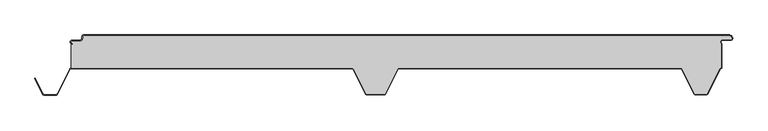
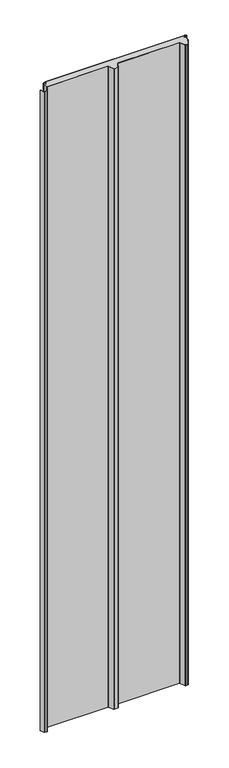
"""IFC4 building model written with IfcOpenShell, lengths in millimetres: proxy geometry."""

from ifc_helpers import new_model, si_unit, point, frame_2d, origin, origin_with_axes, place, context, project, spatial, polyline, circle_curve, trimmed, segment, composite_curve, outline, extrude, source, transform, mapped, element, save


def generic_models_8af0fbd3(model_context):
    return source(origin(), model_context, "Body", "SweptSolid", [
        extrude(outline(composite_curve([segment(polyline([(548.7649646, -5.5), (547.9649646, -5.5)]), True, "CONTINUOUS"), segment(trimmed(circle_curve(frame_2d((543.2649646, -5.5)), 4.7), [point((547.9649646, -5.5))], [point((543.2649646, -0.8))], True, "CARTESIAN"), True, "CONTINUOUS"), segment(polyline([(543.2649646, -0.8), (-448.7436881, -0.8)]), True, "CONTINUOUS"), segment(trimmed(circle_curve(frame_2d((-448.7436881, -2.5)), 1.7), [point((-448.7436881, -0.8))], [point((-450.4436881, -2.5))], True, "CARTESIAN"), True, "CONTINUOUS"), segment(polyline([(-450.4436881, -2.5), (-450.4436881, -5.5)]), True, "CONTINUOUS"), segment(trimmed(circle_curve(frame_2d((-453.7436881, -5.5)), 3.3), [point((-450.4436881, -5.5))], [point((-453.7436881, -8.8))], False, "CARTESIAN"), True, "CONTINUOUS"), segment(polyline([(-453.7436881, -8.8), (-466.2436881, -8.8)]), True, "CONTINUOUS"), segment(trimmed(circle_curve(frame_2d((-466.2436881, -11.0)), 2.2), [point((-466.2436881, -8.8))], [point((-466.2436881, -13.2))], True, "CARTESIAN"), True, "CONTINUOUS"), segment(polyline([(-466.2436881, -13.2), (-466.2436881, -14.0)]), True, "CONTINUOUS"), segment(trimmed(circle_curve(frame_2d((-466.2436881, -11.0)), 3.0), [point((-466.2436881, -14.0))], [point((-466.2436881, -8.0))], False, "CARTESIAN"), True, "CONTINUOUS"), segment(polyline([(-466.2436881, -8.0), (-453.7436881, -8.0)]), True, "CONTINUOUS"), segment(trimmed(circle_curve(frame_2d((-453.7436881, -5.5)), 2.5), [point((-453.7436881, -8.0))], [point((-451.2436881, -5.5))], True, "CARTESIAN"), True, "CONTINUOUS"), segment(polyline([(-451.2436881, -5.5), (-451.2436881, -2.5)]), True, "CONTINUOUS"), segment(trimmed(circle_curve(frame_2d((-448.7436881, -2.5)), 2.5), [point((-451.2436881, -2.5))], [point((-448.7436881, 0.0))], False, "CARTESIAN"), True, "CONTINUOUS"), segment(polyline([(-448.7436881, 0.0), (543.2649646, 0.0)]), True, "CONTINUOUS"), segment(trimmed(circle_curve(frame_2d((543.2649646, -5.5)), 5.5), [point((543.2649646, 0.0))], [point((548.7649646, -5.5))], False, "CARTESIAN"), True, "CONTINUOUS")], self_intersect=False)), origin_with_axes(), (0.0, 0.0, 1.0), 4800.0),
        extrude(outline(composite_curve([segment(trimmed(circle_curve(frame_2d((-466.2436881, -11.0)), 2.2), [point((-466.2436881, -13.2))], [point((-466.2436881, -8.8))], False, "CARTESIAN"), True, "CONTINUOUS"), segment(polyline([(-466.2436881, -8.8), (-453.7436881, -8.8)]), True, "CONTINUOUS"), segment(trimmed(circle_curve(frame_2d((-453.7436881, -5.5)), 3.3), [point((-453.7436881, -8.8))], [point((-450.4436881, -5.5))], True, "CARTESIAN"), True, "CONTINUOUS"), segment(polyline([(-450.4436881, -5.5), (-450.4436881, -2.5)]), True, "CONTINUOUS"), segment(trimmed(circle_curve(frame_2d((-448.7436881, -2.5)), 1.7), [point((-450.4436881, -2.5))], [point((-448.7436881, -0.8))], False, "CARTESIAN"), True, "CONTINUOUS"), segment(polyline([(-448.7436881, -0.8), (543.2649646, -0.8)]), True, "CONTINUOUS"), segment(trimmed(circle_curve(frame_2d((543.2649646, -5.5)), 4.7), [point((543.2649646, -0.8))], [point((547.9649646, -5.5))], False, "CARTESIAN"), True, "CONTINUOUS"), segment(trimmed(circle_curve(frame_2d((546.2649646, -5.5)), 1.7), [point((547.9649646, -5.5))], [point((546.2649646, -7.2))], False, "CARTESIAN"), True, "CONTINUOUS"), segment(polyline([(546.2649646, -7.2), (533.7563119, -7.2)]), True, "CONTINUOUS"), segment(trimmed(circle_curve(frame_2d((533.7563119, -11.0)), 3.8), [point((533.7563119, -7.2))], [point((531.587308, -14.1201638))], True, "CARTESIAN"), True, "CONTINUOUS"), segment(polyline([(531.587308, -14.1201638), (531.587308, -50.2829331)]), True, "CONTINUOUS"), segment(trimmed(circle_curve(frame_2d((532.387308, -54.1)), 3.9), [point((531.587308, -50.2829331))], [point((528.8995986, -52.3547542))], True, "CARTESIAN"), True, "CONTINUOUS"), segment(polyline([(528.8995986, -52.3547542), (509.9186975, -90.2221572)]), True, "CONTINUOUS"), segment(trimmed(circle_curve(frame_2d((508.577726, -89.55)), 1.5), [point((509.9186975, -90.2221572))], [point((508.577726, -91.05))], False, "CARTESIAN"), True, "CONTINUOUS"), segment(polyline([(508.577726, -91.05), (491.4395777, -91.05)]), True, "CONTINUOUS"), segment(trimmed(circle_curve(frame_2d((491.4395777, -89.55)), 1.5), [point((491.4395777, -91.05))], [point((490.097602, -90.2201502))], False, "CARTESIAN"), True, "CONTINUOUS"), segment(polyline([(490.097602, -90.2201502), (471.3684498, -52.715023)]), True, "CONTINUOUS"), segment(trimmed(circle_curve(frame_2d((468.5950334, -54.1)), 3.1), [point((471.3684498, -52.715023))], [point((468.5950334, -51.0))], True, "CARTESIAN"), True, "CONTINUOUS"), segment(polyline([(468.5950334, -51.0), (36.4222721, -51.0)]), True, "CONTINUOUS"), segment(trimmed(circle_curve(frame_2d((36.4222721, -54.1)), 3.1), [point((36.4222721, -51.0))], [point((33.6488557, -52.715023))], True, "CARTESIAN"), True, "CONTINUOUS"), segment(polyline([(33.6488557, -52.715023), (14.9197036, -90.2201502)]), True, "CONTINUOUS"), segment(trimmed(circle_curve(frame_2d((13.5777279, -89.55)), 1.5), [point((14.9197036, -90.2201502))], [point((13.5777279, -91.05))], False, "CARTESIAN"), True, "CONTINUOUS"), segment(polyline([(13.5777279, -91.05), (-13.5777279, -91.05)]), True, "CONTINUOUS"), segment(trimmed(circle_curve(frame_2d((-13.5777279, -89.55)), 1.5), [point((-13.5777279, -91.05))], [point((-14.9197036, -90.2201502))], False, "CARTESIAN"), True, "CONTINUOUS"), segment(polyline([(-14.9197036, -90.2201502), (-33.6488557, -52.715023)]), True, "CONTINUOUS"), segment(trimmed(circle_curve(frame_2d((-36.4222721, -54.1)), 3.1), [point((-33.6488557, -52.715023))], [point((-36.4222721, -51.0))], True, "CARTESIAN"), True, "CONTINUOUS"), segment(polyline([(-36.4222721, -51.0), (-467.612692, -51.0), (-467.612692, -13.6694247)]), True, "CONTINUOUS"), segment(trimmed(circle_curve(frame_2d((-466.2436881, -11.0)), 3.0), [point((-467.612692, -13.6694247))], [point((-466.2436881, -14.0))], True, "CARTESIAN"), True, "CONTINUOUS"), segment(polyline([(-466.2436881, -14.0), (-466.2436881, -13.2)]), True, "CONTINUOUS")], self_intersect=False)), origin_with_axes(), (0.0, 0.0, 1.0), 4800.0),
        extrude(outline(composite_curve([segment(polyline([(-523.5365904, -66.7174495), (-522.82087, -66.3600361), (-510.4107041, -91.2113932)]), True, "CONTINUOUS"), segment(trimmed(circle_curve(frame_2d((-509.0687284, -90.541243)), 1.5), [point((-510.4107041, -91.2113932))], [point((-509.0687284, -92.041243))], True, "CARTESIAN"), True, "CONTINUOUS"), segment(polyline([(-509.0687284, -92.041243), (-490.9312716, -92.041243)]), True, "CONTINUOUS"), segment(trimmed(circle_curve(frame_2d((-490.9312716, -90.541243)), 1.5), [point((-490.9312716, -92.041243))], [point((-489.5890038, -91.210808))], True, "CARTESIAN"), True, "CONTINUOUS"), segment(polyline([(-489.5890038, -91.210808), (-470.3867121, -52.7162325)]), True, "CONTINUOUS"), segment(trimmed(circle_curve(frame_2d((-467.612692, -54.1)), 3.1), [point((-470.3867121, -52.7162325))], [point((-467.612692, -51.0))], False, "CARTESIAN"), True, "CONTINUOUS"), segment(polyline([(-467.612692, -51.0), (-36.4222721, -51.0)]), True, "CONTINUOUS"), segment(trimmed(circle_curve(frame_2d((-36.4222721, -54.1)), 3.1), [point((-36.4222721, -51.0))], [point((-33.6488557, -52.715023))], False, "CARTESIAN"), True, "CONTINUOUS"), segment(polyline([(-33.6488557, -52.715023), (-14.9197036, -90.2201502)]), True, "CONTINUOUS"), segment(trimmed(circle_curve(frame_2d((-13.5777279, -89.55)), 1.5), [point((-14.9197036, -90.2201502))], [point((-13.5777279, -91.05))], True, "CARTESIAN"), True, "CONTINUOUS"), segment(polyline([(-13.5777279, -91.05), (13.5777279, -91.05)]), True, "CONTINUOUS"), segment(trimmed(circle_curve(frame_2d((13.5777279, -89.55)), 1.5), [point((13.5777279, -91.05))], [point((14.9197036, -90.2201502))], True, "CARTESIAN"), True, "CONTINUOUS"), segment(polyline([(14.9197036, -90.2201502), (33.6488557, -52.715023)]), True, "CONTINUOUS"), segment(trimmed(circle_curve(frame_2d((36.4222721, -54.1)), 3.1), [point((33.6488557, -52.715023))], [point((36.4222721, -51.0))], False, "CARTESIAN"), True, "CONTINUOUS"), segment(polyline([(36.4222721, -51.0), (468.5950334, -51.0)]), True, "CONTINUOUS"), segment(trimmed(circle_curve(frame_2d((468.5950334, -54.1)), 3.1), [point((468.5950334, -51.0))], [point((471.3684498, -52.715023))], False, "CARTESIAN"), True, "CONTINUOUS"), segment(polyline([(471.3684498, -52.715023), (490.097602, -90.2201502)]), True, "CONTINUOUS"), segment(trimmed(circle_curve(frame_2d((491.4395777, -89.55)), 1.5), [point((490.097602, -90.2201502))], [point((491.4395777, -91.05))], True, "CARTESIAN"), True, "CONTINUOUS"), segment(polyline([(491.4395777, -91.05), (508.577725, -91.05)]), True, "CONTINUOUS"), segment(trimmed(circle_curve(frame_2d((508.577725, -89.55)), 1.5), [point((508.577725, -91.05))], [point((509.9186965, -90.2221572))], True, "CARTESIAN"), True, "CONTINUOUS"), segment(polyline([(509.9186965, -90.2221572), (528.900782, -52.3523912)]), True, "CONTINUOUS"), segment(trimmed(circle_curve(frame_2d((532.387308, -54.1)), 3.9), [point((528.900782, -52.3523912))], [point((531.587308, -50.2829331))], False, "CARTESIAN"), True, "CONTINUOUS"), segment(polyline([(531.587308, -50.2829331), (531.587308, -14.1201638)]), True, "CONTINUOUS"), segment(trimmed(circle_curve(frame_2d((533.7563119, -11.0)), 3.8), [point((531.587308, -14.1201638))], [point((533.7563119, -7.2))], False, "CARTESIAN"), True, "CONTINUOUS"), segment(polyline([(533.7563119, -7.2), (546.2649646, -7.2)]), True, "CONTINUOUS"), segment(trimmed(circle_curve(frame_2d((546.2649646, -5.5)), 1.7), [point((546.2649646, -7.2))], [point((547.9649646, -5.5))], True, "CARTESIAN"), True, "CONTINUOUS"), segment(polyline([(547.9649646, -5.5), (548.7649646, -5.5)]), True, "CONTINUOUS"), segment(trimmed(circle_curve(frame_2d((546.2649646, -5.5)), 2.5), [point((548.7649646, -5.5))], [point((546.2649646, -8.0))], False, "CARTESIAN"), True, "CONTINUOUS"), segment(polyline([(546.2649646, -8.0), (533.7563119, -8.0)]), True, "CONTINUOUS"), segment(trimmed(circle_curve(frame_2d((533.7563119, -11.0)), 3.0), [point((533.7563119, -8.0))], [point((532.387308, -13.6694247))], True, "CARTESIAN"), True, "CONTINUOUS"), segment(polyline([(532.387308, -13.6694247), (532.387308, -51.0)]), True, "CONTINUOUS"), segment(trimmed(circle_curve(frame_2d((532.387308, -54.1)), 3.1), [point((532.387308, -51.0))], [point((529.6159668, -52.7108751))], True, "CARTESIAN"), True, "CONTINUOUS"), segment(polyline([(529.6159668, -52.7108751), (510.6338814, -90.5806411)]), True, "CONTINUOUS"), segment(trimmed(circle_curve(frame_2d((508.577725, -89.55)), 2.3), [point((510.6338814, -90.5806411))], [point((508.577725, -91.85))], False, "CARTESIAN"), True, "CONTINUOUS"), segment(polyline([(508.577725, -91.85), (491.4395777, -91.85)]), True, "CONTINUOUS"), segment(trimmed(circle_curve(frame_2d((491.4395777, -89.55)), 2.3), [point((491.4395777, -91.85))], [point((489.3818816, -90.5775636))], False, "CARTESIAN"), True, "CONTINUOUS"), segment(polyline([(489.3818816, -90.5775636), (470.6527295, -53.0724364)]), True, "CONTINUOUS"), segment(trimmed(circle_curve(frame_2d((468.5950334, -54.1)), 2.3), [point((470.6527295, -53.0724364))], [point((468.5950334, -51.8))], True, "CARTESIAN"), True, "CONTINUOUS"), segment(polyline([(468.5950334, -51.8), (36.4222721, -51.8)]), True, "CONTINUOUS"), segment(trimmed(circle_curve(frame_2d((36.4222721, -54.1)), 2.3), [point((36.4222721, -51.8))], [point((34.3645761, -53.0724364))], True, "CARTESIAN"), True, "CONTINUOUS"), segment(polyline([(34.3645761, -53.0724364), (15.6354239, -90.5775636)]), True, "CONTINUOUS"), segment(trimmed(circle_curve(frame_2d((13.5777279, -89.55)), 2.3), [point((15.6354239, -90.5775636))], [point((13.5777279, -91.85))], False, "CARTESIAN"), True, "CONTINUOUS"), segment(polyline([(13.5777279, -91.85), (-13.5777279, -91.85)]), True, "CONTINUOUS"), segment(trimmed(circle_curve(frame_2d((-13.5777279, -89.55)), 2.3), [point((-13.5777279, -91.85))], [point((-15.6354239, -90.5775636))], False, "CARTESIAN"), True, "CONTINUOUS"), segment(polyline([(-15.6354239, -90.5775636), (-34.3645761, -53.0724364)]), True, "CONTINUOUS"), segment(trimmed(circle_curve(frame_2d((-36.4222721, -54.1)), 2.3), [point((-34.3645761, -53.0724364))], [point((-36.4222721, -51.8))], True, "CARTESIAN"), True, "CONTINUOUS"), segment(polyline([(-36.4222721, -51.8), (-467.612692, -51.8)]), True, "CONTINUOUS"), segment(trimmed(circle_curve(frame_2d((-467.612692, -54.1)), 2.3), [point((-467.612692, -51.8))], [point((-469.6708359, -53.0733338))], True, "CARTESIAN"), True, "CONTINUOUS"), segment(polyline([(-469.6708359, -53.0733338), (-488.8731276, -91.5679093)]), True, "CONTINUOUS"), segment(trimmed(circle_curve(frame_2d((-490.9312716, -90.541243)), 2.3), [point((-488.8731276, -91.5679093))], [point((-490.9312716, -92.841243))], False, "CARTESIAN"), True, "CONTINUOUS"), segment(polyline([(-490.9312716, -92.841243), (-509.0687284, -92.841243)]), True, "CONTINUOUS"), segment(trimmed(circle_curve(frame_2d((-509.0687284, -90.541243)), 2.3), [point((-509.0687284, -92.841243))], [point((-511.1264245, -91.5688066))], False, "CARTESIAN"), True, "CONTINUOUS"), segment(polyline([(-511.1264245, -91.5688066), (-523.5365904, -66.7174495)]), True, "CONTINUOUS")], self_intersect=False)), origin_with_axes(), (0.0, 0.0, 1.0), 4800.0),
    ])


if __name__ == "__main__":
    model = new_model("IFC4")
    model_context = context("Model", 3, world=origin())
    ifc_project = project(units=[si_unit("LENGTHUNIT", "METRE", prefix="MILLI")], contexts=[model_context])
    site = spatial("IfcSite", under=ifc_project)
    building = spatial("IfcBuilding", under=site)
    placement = place(None, origin())
    generic_models_shape = generic_models_8af0fbd3(model_context)
    element("IfcBuildingElementProxy", 1, Name="Generic Models", at=placement, inside=building, context=model_context, shape_type="MappedRepresentation", body=[
        mapped(generic_models_shape, transform((0.0, 0.0, 0.0), x_axis=(1.0, 0.0, 0.0), y_axis=(0.0, 1.0, 0.0), z_axis=(0.0, 0.0, 1.0))),
    ])
    save(model, "model.ifc")
